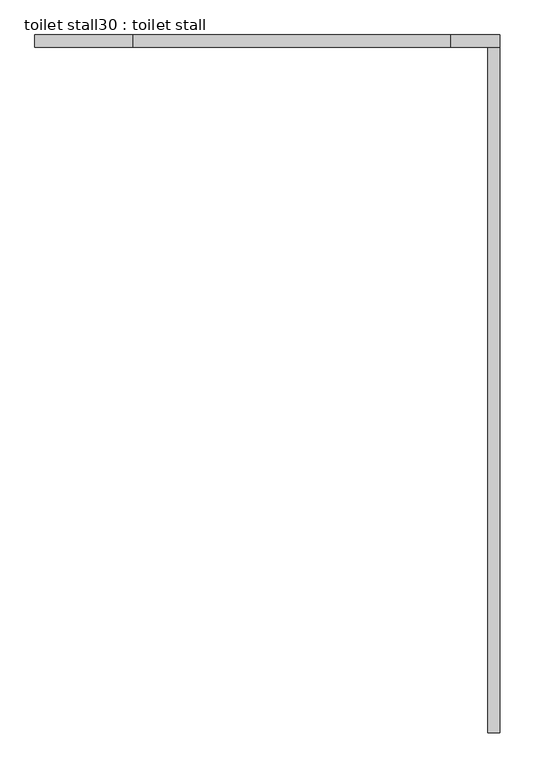
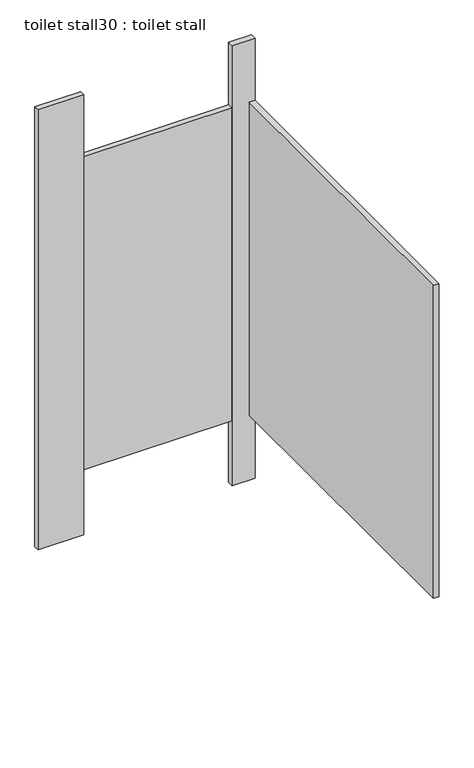
"""IFC4 building model written with IfcOpenShell, lengths in millimetres: proxy geometry, toilet stall30 : toilet stall."""

from ifc_helpers import new_model, si_unit, frame, origin, origin_with_axes, place, context, project, spatial, polyline, outline, extrude, source, transform, mapped, element, save


def toilet_stall30_toilet_stall_16b1a8fe(model_context):
    return source(origin(), model_context, "Body", "SweptSolid", [
        extrude(outline(polyline([(445322.1129676, -367467.8910885), (445118.9129676, -367467.8910885), (445118.9129676, -367442.4910885), (445322.1129676, -367442.4910885), (445322.1129676, -367467.8910885)])), origin_with_axes(), (0.0, 0.0, 1.0), 2070.1),
        extrude(outline(polyline([(446084.1129676, -367467.8910885), (445982.5129676, -367467.8910885), (445982.5129676, -367442.4910885), (446084.1129676, -367442.4910885), (446084.1129676, -367467.8910885)])), origin_with_axes(), (0.0, 0.0, 1.0), 2070.1),
        extrude(outline(polyline([(446084.1129676, -367467.8910885), (446084.1129676, -368890.2910885), (446058.7129676, -368890.2910885), (446058.7129676, -367467.8910885), (446084.1129676, -367467.8910885)])), frame((0.0, 0.0, 304.8), z_axis=(0.0, 0.0, 1.0), x_axis=(1.0, 0.0, 0.0)), (0.0, 0.0, 1.0), 1473.2),
        extrude(outline(polyline([(445982.5129676, -367467.8910885), (445322.1129676, -367467.8910885), (445322.1129676, -367442.4910885), (445982.5129676, -367442.4910885), (445982.5129676, -367467.8910885)])), frame((0.0, 0.0, 304.8), z_axis=(0.0, 0.0, 1.0), x_axis=(1.0, 0.0, 0.0)), (0.0, 0.0, 1.0), 1473.2),
    ])


if __name__ == "__main__":
    model = new_model("IFC4")
    model_context = context("Model", 3, world=origin())
    ifc_project = project(units=[si_unit("LENGTHUNIT", "METRE", prefix="MILLI")], contexts=[model_context])
    site = spatial("IfcSite", under=ifc_project)
    building = spatial("IfcBuilding", under=site)
    placement = place(None, origin())
    toilet_stall30_toilet_stall_shape = toilet_stall30_toilet_stall_16b1a8fe(model_context)
    element("IfcBuildingElementProxy", 1, Name="toilet stall30 : toilet stall", ObjectType="toilet stall30 : toilet stall", at=placement, inside=building, context=model_context, shape_type="MappedRepresentation", body=[
        mapped(toilet_stall30_toilet_stall_shape, transform((0.0, 0.0, 0.0), x_axis=(1.0, 0.0, 0.0), y_axis=(0.0, 1.0, 0.0), z_axis=(0.0, 0.0, 1.0))),
    ])
    save(model, "model.ifc")
